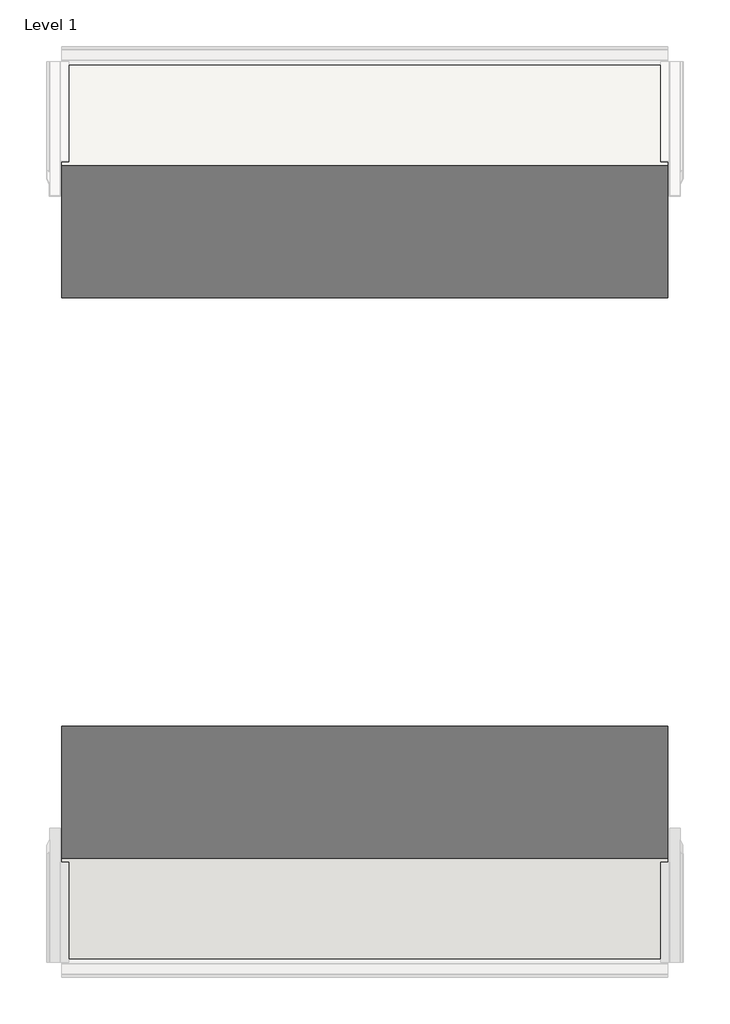
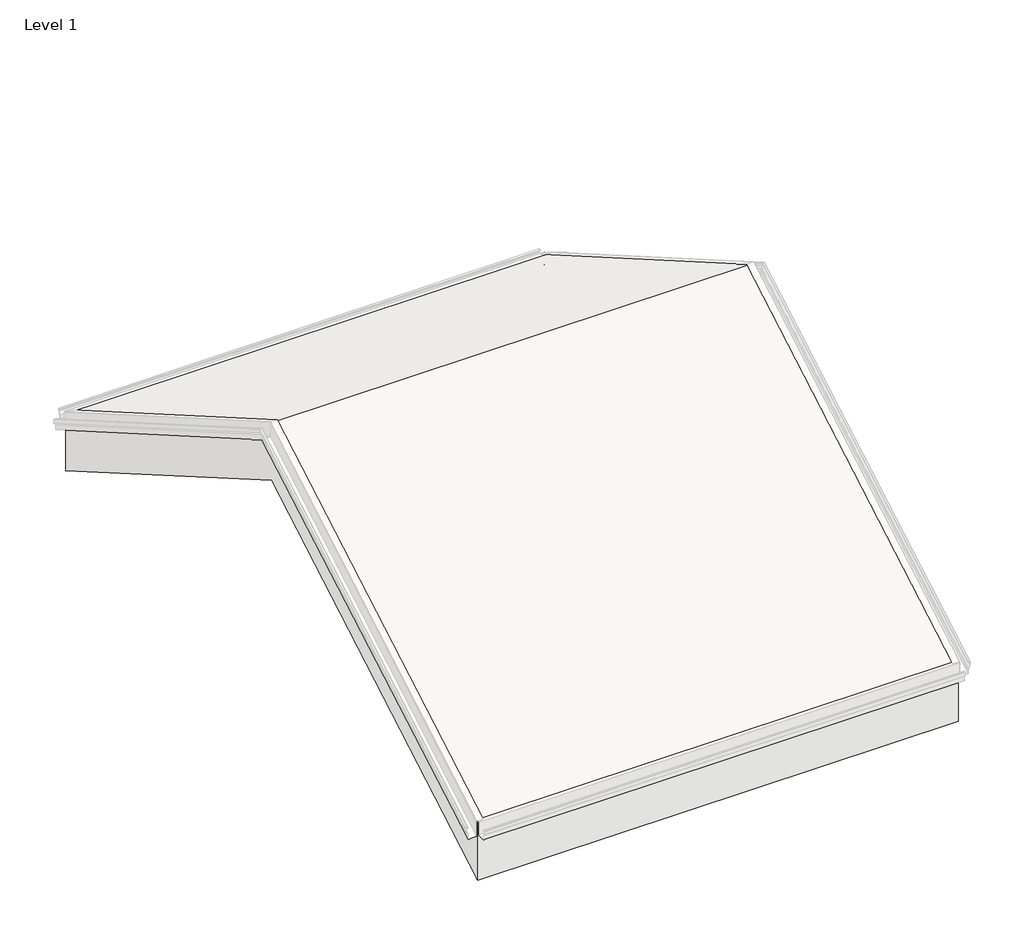
# One storey, part 16 of 16: 1 roof.
"""IFC4 building model written with IfcOpenShell, lengths in millimetres."""

from ifc_helpers import new_model, si_unit, frame, origin, place, context, project, spatial, polyline, outline, extrude, element, save

model = new_model("IFC4")

# Units and contexts
model_context = context("Model", 3, world=origin())
ifc_project = project(units=[si_unit("LENGTHUNIT", "METRE", prefix="MILLI")], contexts=[model_context])

# Site, building, storey
site = spatial("IfcSite", under=ifc_project)
building = spatial("IfcBuilding", under=site)
storey = spatial("IfcBuildingStorey", under=building, Name="Level 1", Elevation=0.0)

# Roof
placement = place(None, origin())
element("IfcRoof", 1, at=placement, inside=storey, context=model_context, shape_type="SweptSolid", body=[
    extrude(outline(polyline([(11282.5320962, 674.5760545), (15244.9320962, 2962.2687612), (19207.3320962, 674.5760545), (19207.3320962, 0.0), (15244.9320962, 2287.6927066), (11282.5320962, 0.0), (11282.5320962, 674.5760545)])), frame((-11677.4498439, 0.0, 0.0), z_axis=(1.0, 0.0, 0.0), x_axis=(0.0, 1.0, 0.0)), (0.0, 0.0, 1.0), 5334.0),
])

save(model, "model.ifc")
